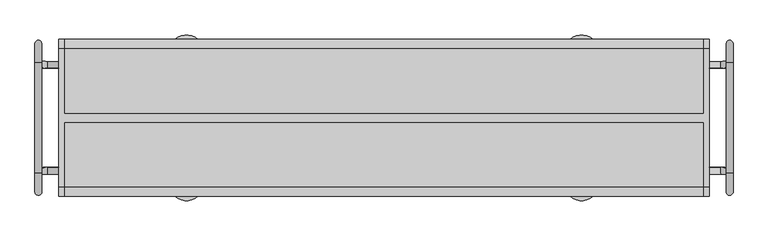
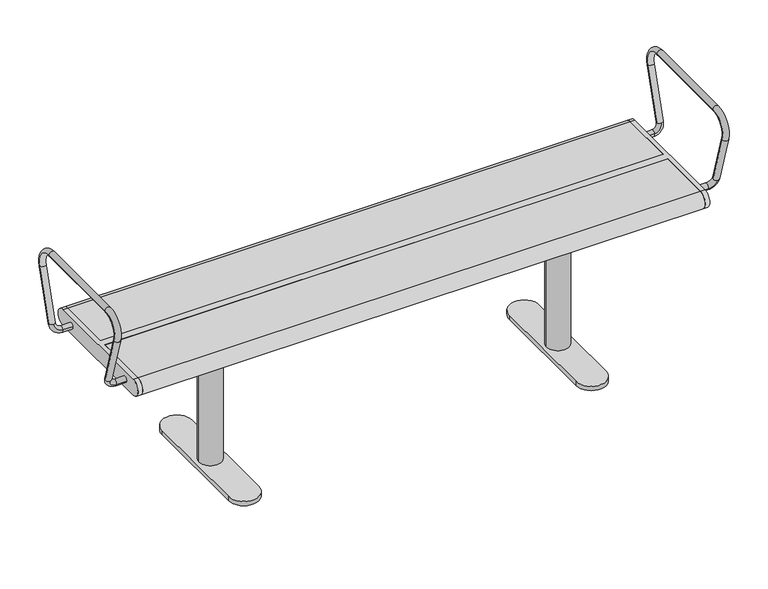
"""IFC4 building model written with IfcOpenShell, lengths in millimetres: furniture geometry."""

from ifc_helpers import new_model, si_unit, point, frame, frame_2d, origin, origin_with_axes, place, context, project, spatial, polyline, circle_curve, ellipse_curve, trimmed, segment, composite_curve, outline, extrude, source, transform, mapped, element, save
from ifc_brep_helpers import plane_surface, cylinder_surface, revolved_surface, advanced_brep


def furniture_5801610f(model_context):
    return source(origin(), model_context, "Body", "SolidModel", [
        extrude(outline(composite_curve([segment(trimmed(circle_curve(frame_2d((460.0, 153.0)), 17.0), [point((443.0, 153.0))], [point((477.0, 153.0))], False, "CARTESIAN"), True, "CONTINUOUS"), segment(trimmed(circle_curve(frame_2d((460.0, 153.0)), 17.0), [point((477.0, 153.0))], [point((443.0, 153.0))], False, "CARTESIAN"), True, "CONTINUOUS")], self_intersect=False)), origin_with_axes(), (0.0, 0.0, 1.0), 15.0),
        extrude(outline(composite_curve([segment(trimmed(circle_curve(frame_2d((460.0, -153.0)), 17.0), [point((443.0, -153.0))], [point((477.0, -153.0))], False, "CARTESIAN"), True, "CONTINUOUS"), segment(trimmed(circle_curve(frame_2d((460.0, -153.0)), 17.0), [point((477.0, -153.0))], [point((443.0, -153.0))], False, "CARTESIAN"), True, "CONTINUOUS")], self_intersect=False)), origin_with_axes(), (0.0, 0.0, 1.0), 15.0),
        extrude(outline(composite_curve([segment(trimmed(circle_curve(frame_2d((460.0, 0.0)), 30.0), [point((430.0, 0.0))], [point((490.0, 0.0))], False, "CARTESIAN"), True, "CONTINUOUS"), segment(trimmed(circle_curve(frame_2d((460.0, 0.0)), 30.0), [point((490.0, 0.0))], [point((430.0, 0.0))], False, "CARTESIAN"), True, "CONTINUOUS")], self_intersect=False)), frame((0.0, 0.0, 27.0), z_axis=(0.0, 0.0, 1.0), x_axis=(1.0, 0.0, 0.0)), (0.0, 0.0, 1.0), 362.0),
        extrude(outline(polyline([(385.0, -125.0), (385.0, 125.0), (535.0, 125.0), (535.0, -125.0), (385.0, -125.0)])), frame((0.0, 0.0, 389.0), z_axis=(0.0, 0.0, 1.0), x_axis=(1.0, 0.0, 0.0)), (0.0, 0.0, 1.0), 16.0),
        extrude(outline(composite_curve([segment(polyline([(420.0, -153.2025537), (420.0, 153.0)]), True, "CONTINUOUS"), segment(trimmed(circle_curve(frame_2d((460.0, 153.0)), 40.0), [point((420.0, 153.0))], [point((500.0, 153.0))], False, "CARTESIAN"), True, "CONTINUOUS"), segment(polyline([(500.0, 153.0), (500.0, -153.2025537)]), True, "CONTINUOUS"), segment(trimmed(circle_curve(frame_2d((460.0, -153.2025537)), 40.0), [point((500.0, -153.2025537))], [point((420.0, -153.2025537))], False, "CARTESIAN"), True, "CONTINUOUS")], self_intersect=False)), frame((0.0, 0.0, 15.0), z_axis=(0.0, 0.0, 1.0), x_axis=(1.0, 0.0, 0.0)), (0.0, 0.0, 1.0), 12.0),
        extrude(outline(composite_curve([segment(trimmed(circle_curve(frame_2d((-460.0, 153.0)), 17.0), [point((-477.0, 153.0))], [point((-443.0, 153.0))], False, "CARTESIAN"), True, "CONTINUOUS"), segment(trimmed(circle_curve(frame_2d((-460.0, 153.0)), 17.0), [point((-443.0, 153.0))], [point((-477.0, 153.0))], False, "CARTESIAN"), True, "CONTINUOUS")], self_intersect=False)), origin_with_axes(), (0.0, 0.0, 1.0), 15.0),
        extrude(outline(composite_curve([segment(trimmed(circle_curve(frame_2d((-460.0, -153.0)), 17.0), [point((-477.0, -153.0))], [point((-443.0, -153.0))], False, "CARTESIAN"), True, "CONTINUOUS"), segment(trimmed(circle_curve(frame_2d((-460.0, -153.0)), 17.0), [point((-443.0, -153.0))], [point((-477.0, -153.0))], False, "CARTESIAN"), True, "CONTINUOUS")], self_intersect=False)), origin_with_axes(), (0.0, 0.0, 1.0), 15.0),
        extrude(outline(composite_curve([segment(trimmed(circle_curve(frame_2d((-460.0, 0.0)), 30.0), [point((-490.0, 0.0))], [point((-430.0, 0.0))], False, "CARTESIAN"), True, "CONTINUOUS"), segment(trimmed(circle_curve(frame_2d((-460.0, 0.0)), 30.0), [point((-430.0, 0.0))], [point((-490.0, 0.0))], False, "CARTESIAN"), True, "CONTINUOUS")], self_intersect=False)), frame((0.0, 0.0, 27.0), z_axis=(0.0, 0.0, 1.0), x_axis=(1.0, 0.0, 0.0)), (0.0, 0.0, 1.0), 362.0),
        extrude(outline(polyline([(-535.0, -125.0), (-535.0, 125.0), (-385.0, 125.0), (-385.0, -125.0), (-535.0, -125.0)])), frame((0.0, 0.0, 389.0), z_axis=(0.0, 0.0, 1.0), x_axis=(1.0, 0.0, 0.0)), (0.0, 0.0, 1.0), 16.0),
        extrude(outline(composite_curve([segment(polyline([(-500.0, -153.2025537), (-500.0, 153.0)]), True, "CONTINUOUS"), segment(trimmed(circle_curve(frame_2d((-460.0, 153.0)), 40.0), [point((-500.0, 153.0))], [point((-420.0, 153.0))], False, "CARTESIAN"), True, "CONTINUOUS"), segment(polyline([(-420.0, 153.0), (-420.0, -153.2025537)]), True, "CONTINUOUS"), segment(trimmed(circle_curve(frame_2d((-460.0, -153.2025537)), 40.0), [point((-420.0, -153.2025537))], [point((-500.0, -153.2025537))], False, "CARTESIAN"), True, "CONTINUOUS")], self_intersect=False)), frame((0.0, 0.0, 15.0), z_axis=(0.0, 0.0, 1.0), x_axis=(1.0, 0.0, 0.0)), (0.0, 0.0, 1.0), 12.0),
        advanced_brep(
        [(797.0, 129.1398058, 447.5823999), (797.0, 170.6460701, 583.3432733), (813.0, 170.6460701, 583.3432733), (813.0, 129.1398058, 447.5823999), (805.0, 136.7902438, 445.2434262), (805.0, 121.4893678, 449.9213735), (813.0, 127.6123561, 641.5), (797.0, 127.6123561, 641.5), (797.0, -127.6123561, 641.5), (813.0, -127.6123561, 641.5), (797.0, -170.6460701, 583.3432733), (813.0, -170.6460701, 583.3432733), (797.0, -129.1398058, 447.5823999), (805.0, -136.7902438, 445.2434262), (813.0, -129.1398058, 447.5823999), (805.0, -121.4893678, 449.9213735), (784.0, -115.349562, 429.8389736), (784.0, -130.650438, 425.1610264), (757.0, -130.650438, 425.1610264), (757.0, -115.349562, 429.8389736), (784.0, 130.650438, 425.1610264), (784.0, 115.349562, 429.8389736), (757.0, 130.650438, 425.1610264), (757.0, 115.349562, 429.8389736)],
        [
            (0, 1),
            (1, 2, circle_curve(frame((805.0, 170.6460701, 583.3432733), z_axis=(0.0, -0.2923717047227381, -0.9563047559630351), x_axis=(-1.0, 0.0, 0.0)), 8.0)),
            (2, 3),
            (3, 4, circle_curve(frame((805.0, 129.1398058, 447.5823999), z_axis=(0.0, 0.2923717047227381, 0.9563047559630351), x_axis=(-1.0, 0.0, 0.0)), 8.0)),
            (4, 0, circle_curve(frame((805.0, 129.1398058, 447.5823999), z_axis=(0.0, 0.2923717047227381, 0.9563047559630351), x_axis=(-1.0, 0.0, 0.0)), 8.0)),
            (0, 5, circle_curve(frame((805.0, 129.1398058, 447.5823999), z_axis=(0.0, 0.2923717047227381, 0.9563047559630351), x_axis=(-1.0, 0.0, 0.0)), 8.0)),
            (5, 3, circle_curve(frame((805.0, 129.1398058, 447.5823999), z_axis=(0.0, 0.2923717047227381, 0.9563047559630351), x_axis=(-1.0, 0.0, 0.0)), 8.0)),
            (2, 1, circle_curve(frame((805.0, 170.6460701, 583.3432733), z_axis=(0.0, -0.2923717047227381, -0.9563047559630351), x_axis=(-1.0, 0.0, 0.0)), 8.0)),
            (6, 7, circle_curve(frame((805.0, 127.6123561, 641.5), z_axis=(0.0, -1.0, 0.0), x_axis=(-1.0, 0.0, 0.0)), 8.0)),
            (7, 8),
            (8, 9, circle_curve(frame((805.0, -127.6123561, 641.5), z_axis=(0.0, 1.0, 0.0), x_axis=(-1.0, 0.0, 0.0)), 8.0)),
            (9, 6),
            (7, 6, circle_curve(frame((805.0, 127.6123561, 641.5), z_axis=(0.0, -1.0, 0.0), x_axis=(-1.0, 0.0, 0.0)), 8.0)),
            (9, 8, circle_curve(frame((805.0, -127.6123561, 641.5), z_axis=(0.0, 1.0, 0.0), x_axis=(-1.0, 0.0, 0.0)), 8.0)),
            (1, 7, circle_curve(frame((797.0, 127.6123561, 596.5), z_axis=(1.0, 0.0, 0.0), x_axis=(0.0, 0.9563047559630351, -0.2923717047227379)), 45.0)),
            (6, 2, circle_curve(frame((813.0, 127.6123561, 596.5), z_axis=(-1.0, 0.0, 0.0), x_axis=(0.0, 0.9563047559630351, -0.2923717047227379)), 45.0)),
            (8, 10, circle_curve(frame((797.0, -127.6123561, 596.5), z_axis=(1.0, 0.0, 0.0), x_axis=(0.0, 0.0, 1.0)), 45.0)),
            (10, 11, circle_curve(frame((805.0, -170.6460701, 583.3432733), z_axis=(0.0, -0.29237170472274115, 0.9563047559630341), x_axis=(-1.0, 0.0, 0.0)), 8.0)),
            (11, 9, circle_curve(frame((813.0, -127.6123561, 596.5), z_axis=(-1.0, 0.0, 0.0), x_axis=(0.0, 0.0, 1.0)), 45.0)),
            (11, 10, circle_curve(frame((805.0, -170.6460701, 583.3432733), z_axis=(0.0, -0.29237170472274093, 0.9563047559630342), x_axis=(-1.0, 0.0, 0.0)), 8.0)),
            (10, 12),
            (12, 13, circle_curve(frame((805.0, -129.1398058, 447.5823999), z_axis=(0.0, -0.29237170472273494, 0.9563047559630361), x_axis=(-1.0, 0.0, 0.0)), 8.0)),
            (13, 14, circle_curve(frame((805.0, -129.1398058, 447.5823999), z_axis=(0.0, -0.29237170472273494, 0.9563047559630361), x_axis=(-1.0, 0.0, 0.0)), 8.0)),
            (14, 11),
            (14, 15, circle_curve(frame((805.0, -129.1398058, 447.5823999), z_axis=(0.0, -0.29237170472273494, 0.9563047559630361), x_axis=(-1.0, 0.0, 0.0)), 8.0)),
            (15, 12, circle_curve(frame((805.0, -129.1398058, 447.5823999), z_axis=(0.0, -0.29237170472273494, 0.9563047559630361), x_axis=(-1.0, 0.0, 0.0)), 8.0)),
            (16, 15, circle_curve(frame((784.0, -121.4893678, 449.9213735), z_axis=(0.0, -0.9563047559630359, -0.29237170472273544), x_axis=(1.0, 0.0, 0.0)), 21.0)),
            (13, 17, circle_curve(frame((784.0, -136.7902438, 445.2434262), z_axis=(0.0, 0.9563047559630359, 0.29237170472273544), x_axis=(1.0, 0.0, 0.0)), 21.0)),
            (17, 16, circle_curve(frame((784.0, -123.0, 427.5), z_axis=(1.0, 0.0, 0.0), x_axis=(0.0, 0.9563047559630359, 0.29237170472273544)), 8.0)),
            (16, 17, circle_curve(frame((784.0, -123.0, 427.5), z_axis=(1.0, 0.0, 0.0), x_axis=(0.0, 0.9563047559630359, 0.29237170472273544)), 8.0)),
            (18, 19, circle_curve(frame((757.0, -123.0, 427.5), z_axis=(-1.0, 0.0, 0.0), x_axis=(0.0, 0.956304755963036, 0.2923717047227355)), 8.0)),
            (19, 18, circle_curve(frame((757.0, -123.0, 427.5), z_axis=(-1.0, 0.0, 0.0), x_axis=(0.0, 0.956304755963036, 0.2923717047227355)), 8.0)),
            (17, 18),
            (19, 16),
            (20, 4, circle_curve(frame((784.0, 136.7902438, 445.2434262), z_axis=(0.0, -0.9563047559630359, 0.29237170472273544), x_axis=(1.0, 0.0, 0.0)), 21.0)),
            (5, 21, circle_curve(frame((784.0, 121.4893678, 449.9213735), z_axis=(0.0, 0.9563047559630359, -0.29237170472273544), x_axis=(1.0, 0.0, 0.0)), 21.0)),
            (21, 20, circle_curve(frame((784.0, 123.0, 427.5), z_axis=(1.0, 0.0, 0.0), x_axis=(0.0, -0.9563047559630359, 0.29237170472273544)), 8.0)),
            (20, 21, circle_curve(frame((784.0, 123.0, 427.5), z_axis=(1.0, 0.0, 0.0), x_axis=(0.0, -0.9563047559630359, 0.29237170472273544)), 8.0)),
            (22, 23, circle_curve(frame((757.0, 123.0, 427.5), z_axis=(-1.0, 0.0, 0.0), x_axis=(0.0, -0.956304755963036, 0.2923717047227355)), 8.0)),
            (23, 22, circle_curve(frame((757.0, 123.0, 427.5), z_axis=(-1.0, 0.0, 0.0), x_axis=(0.0, -0.956304755963036, 0.2923717047227355)), 8.0)),
            (21, 23),
            (22, 20),
        ],
        [
            cylinder_surface(frame((805.0, 129.1398058, 447.5823999), z_axis=(0.0, -0.2923717047227381, -0.9563047559630351), x_axis=(-1.0, 0.0, 0.0)), 8.0),
            cylinder_surface(frame((805.0, 127.6123561, 641.5), z_axis=(0.0, 1.0, 0.0), x_axis=(-1.0, 0.0, 0.0)), 8.0),
            revolved_surface(trimmed(ellipse_curve(frame((805.0, 170.6460701, 583.3432733), z_axis=(0.0, -0.2923717047227378, -0.9563047559630351), x_axis=(-1.0, 0.0, 0.0)), 8.0, 8.0), [point((797.0, 170.6460701, 583.3432733))], [point((813.0, 170.6460701, 583.3432733))], True, "CARTESIAN"), (0.0, 127.6123561, 596.5), (1.0, 0.0, 0.0)),
            revolved_surface(trimmed(ellipse_curve(frame((805.0, 170.6460701, 583.3432733), z_axis=(0.0, -0.2923717047227378, -0.9563047559630351), x_axis=(-1.0, 0.0, 0.0)), 8.0, 8.0), [point((813.0, 170.6460701, 583.3432733))], [point((797.0, 170.6460701, 583.3432733))], True, "CARTESIAN"), (0.0, 127.6123561, 596.5), (1.0, 0.0, 0.0)),
            revolved_surface(trimmed(ellipse_curve(frame((805.0, -127.6123561, 641.5), z_axis=(0.0, 1.0, 0.0), x_axis=(-1.0, 0.0, 0.0)), 8.0, 8.0), [point((797.0, -127.6123561, 641.5))], [point((813.0, -127.6123561, 641.5))], True, "CARTESIAN"), (0.0, -127.6123561, 596.5), (1.0, 0.0, 0.0)),
            revolved_surface(trimmed(ellipse_curve(frame((805.0, -127.6123561, 641.5), z_axis=(0.0, 1.0, 0.0), x_axis=(-1.0, 0.0, 0.0)), 8.0, 8.0), [point((813.0, -127.6123561, 641.5))], [point((797.0, -127.6123561, 641.5))], True, "CARTESIAN"), (0.0, -127.6123561, 596.5), (1.0, 0.0, 0.0)),
            cylinder_surface(frame((805.0, -170.6460701, 583.3432733), z_axis=(0.0, -0.29237170472273494, 0.9563047559630361), x_axis=(-1.0, 0.0, 0.0)), 8.0),
            revolved_surface(trimmed(ellipse_curve(frame((805.0, -129.1398058, 447.5823999), z_axis=(0.0, -0.29237170472273544, 0.9563047559630359), x_axis=(0.0, 0.9563047559630359, 0.29237170472273544)), 8.0, 8.0), [point((805.0, -136.7902438, 445.2434262))], [point((805.0, -121.4893678, 449.9213735))], True, "CARTESIAN"), (784.0, -11.5143208, 483.5441196), (0.0, 0.9563047559630359, 0.29237170472273544)),
            revolved_surface(trimmed(ellipse_curve(frame((805.0, -129.1398058, 447.5823999), z_axis=(0.0, -0.29237170472273544, 0.9563047559630359), x_axis=(0.0, 0.9563047559630359, 0.29237170472273544)), 8.0, 8.0), [point((805.0, -121.4893678, 449.9213735))], [point((805.0, -136.7902438, 445.2434262))], True, "CARTESIAN"), (784.0, -11.5143208, 483.5441196), (0.0, 0.9563047559630359, 0.29237170472273544)),
            plane_surface(frame((757.0, -5.374515, 463.4617197), z_axis=(-1.0, 0.0, 0.0), x_axis=(0.0, 0.9563047559630359, 0.29237170472273544))),
            cylinder_surface(frame((784.0, -123.0, 427.5), z_axis=(1.0, 0.0, 0.0), x_axis=(0.0, 0.956304755963036, 0.2923717047227355)), 8.0),
            revolved_surface(trimmed(ellipse_curve(frame((805.0, 129.1398058, 447.5823999), z_axis=(0.0, 0.29237170472273544, 0.9563047559630359), x_axis=(0.0, -0.9563047559630359, 0.29237170472273544)), 8.0, 8.0), [point((805.0, 121.4893678, 449.9213735))], [point((805.0, 136.7902438, 445.2434262))], True, "CARTESIAN"), (784.0, 11.5143208, 483.5441196), (0.0, 0.9563047559630359, -0.29237170472273544)),
            revolved_surface(trimmed(ellipse_curve(frame((805.0, 129.1398058, 447.5823999), z_axis=(0.0, 0.29237170472273544, 0.9563047559630359), x_axis=(0.0, -0.9563047559630359, 0.29237170472273544)), 8.0, 8.0), [point((805.0, 136.7902438, 445.2434262))], [point((805.0, 121.4893678, 449.9213735))], True, "CARTESIAN"), (784.0, 11.5143208, 483.5441196), (0.0, 0.9563047559630359, -0.29237170472273544)),
            plane_surface(frame((757.0, 5.374515, 463.4617197), z_axis=(-1.0, 0.0, 0.0), x_axis=(0.0, -0.9563047559630359, 0.29237170472273544))),
            cylinder_surface(frame((784.0, 123.0, 427.5), z_axis=(1.0, 0.0, 0.0), x_axis=(0.0, -0.956304755963036, 0.2923717047227355)), 8.0),
        ],
        [
            (0, [[1, 2, 3, 4, 5]]),
            (0, [[-1, 6, 7, -3, 8]]),
            (1, [[9, 10, 11, 12]]),
            (1, [[-10, 13, -12, 14]]),
            (2, [[-2, 15, -9, 16]]),
            (3, [[-8, -16, -13, -15]]),
            (4, [[-11, 17, 18, 19]]),
            (5, [[-14, -19, 20, -17]]),
            (6, [[-18, 21, 22, 23, 24]]),
            (6, [[-20, -24, 25, 26, -21]]),
            (7, [[27, -25, -23, 28, 29]]),
            (8, [[-27, 30, -28, -22, -26]]),
            (9, [[31, 32]]),
            (10, [[-29, 33, -32, 34]]),
            (10, [[-30, -34, -31, -33]]),
            (11, [[35, -4, -7, 36, 37]]),
            (12, [[-35, 38, -36, -6, -5]]),
            (13, [[39, 40]]),
            (14, [[-37, 41, -39, 42]]),
            (14, [[-38, -42, -40, -41]]),
        ],
    ),
        advanced_brep(
        [(-784.0, -130.650438, 425.1610264), (-805.0, -136.7902438, 445.2434262), (-813.0, -129.1398058, 447.5823999), (-805.0, -121.4893678, 449.9213735), (-784.0, -115.349562, 429.8389736), (-797.0, -129.1398058, 447.5823999), (-757.0, -130.650438, 425.1610264), (-757.0, -115.349562, 429.8389736), (-813.0, 129.1398058, 447.5823999), (-813.0, 170.6460701, 583.3432733), (-797.0, 170.6460701, 583.3432733), (-797.0, 129.1398058, 447.5823999), (-805.0, 136.7902438, 445.2434262), (-805.0, 121.4893678, 449.9213735), (-797.0, 127.6123561, 641.5), (-813.0, 127.6123561, 641.5), (-813.0, -127.6123561, 641.5), (-797.0, -127.6123561, 641.5), (-813.0, -170.6460701, 583.3432733), (-797.0, -170.6460701, 583.3432733), (-784.0, 115.349562, 429.8389736), (-784.0, 130.650438, 425.1610264), (-757.0, 130.650438, 425.1610264), (-757.0, 115.349562, 429.8389736)],
        [
            (0, 1, circle_curve(frame((-784.0, -136.7902438, 445.2434262), z_axis=(0.0, 0.9563047559630359, 0.29237170472273544), x_axis=(-1.0, 0.0, 0.0)), 21.0)),
            (1, 2, circle_curve(frame((-805.0, -129.1398058, 447.5823999), z_axis=(0.0, 0.29237170472273544, -0.9563047559630359), x_axis=(0.0, 0.9563047559630359, 0.29237170472273544)), 8.0)),
            (2, 3, circle_curve(frame((-805.0, -129.1398058, 447.5823999), z_axis=(0.0, 0.29237170472273544, -0.9563047559630359), x_axis=(0.0, 0.9563047559630359, 0.29237170472273544)), 8.0)),
            (3, 4, circle_curve(frame((-784.0, -121.4893678, 449.9213735), z_axis=(0.0, -0.9563047559630359, -0.29237170472273544), x_axis=(-1.0, 0.0, 0.0)), 21.0)),
            (4, 0, circle_curve(frame((-784.0, -123.0, 427.5), z_axis=(-1.0, 0.0, 0.0), x_axis=(0.0, 0.9563047559630359, 0.29237170472273544)), 8.0)),
            (0, 4, circle_curve(frame((-784.0, -123.0, 427.5), z_axis=(-1.0, 0.0, 0.0), x_axis=(0.0, 0.9563047559630359, 0.29237170472273544)), 8.0)),
            (3, 5, circle_curve(frame((-805.0, -129.1398058, 447.5823999), z_axis=(0.0, 0.29237170472273544, -0.9563047559630359), x_axis=(0.0, 0.9563047559630359, 0.29237170472273544)), 8.0)),
            (5, 1, circle_curve(frame((-805.0, -129.1398058, 447.5823999), z_axis=(0.0, 0.29237170472273544, -0.9563047559630359), x_axis=(0.0, 0.9563047559630359, 0.29237170472273544)), 8.0)),
            (6, 7, circle_curve(frame((-757.0, -123.0, 427.5), z_axis=(1.0, 0.0, 0.0), x_axis=(0.0, 0.956304755963036, 0.2923717047227355)), 8.0)),
            (7, 6, circle_curve(frame((-757.0, -123.0, 427.5), z_axis=(1.0, 0.0, 0.0), x_axis=(0.0, 0.956304755963036, 0.2923717047227355)), 8.0)),
            (4, 7),
            (6, 0),
            (8, 9),
            (9, 10, circle_curve(frame((-805.0, 170.6460701, 583.3432733), z_axis=(0.0, -0.2923717047227381, -0.9563047559630351), x_axis=(1.0, 0.0, 0.0)), 8.0)),
            (10, 11),
            (11, 12, circle_curve(frame((-805.0, 129.1398058, 447.5823999), z_axis=(0.0, 0.2923717047227381, 0.9563047559630351), x_axis=(1.0, 0.0, 0.0)), 8.0)),
            (12, 8, circle_curve(frame((-805.0, 129.1398058, 447.5823999), z_axis=(0.0, 0.2923717047227381, 0.9563047559630351), x_axis=(1.0, 0.0, 0.0)), 8.0)),
            (8, 13, circle_curve(frame((-805.0, 129.1398058, 447.5823999), z_axis=(0.0, 0.2923717047227381, 0.9563047559630351), x_axis=(1.0, 0.0, 0.0)), 8.0)),
            (13, 11, circle_curve(frame((-805.0, 129.1398058, 447.5823999), z_axis=(0.0, 0.2923717047227381, 0.9563047559630351), x_axis=(1.0, 0.0, 0.0)), 8.0)),
            (10, 9, circle_curve(frame((-805.0, 170.6460701, 583.3432733), z_axis=(0.0, -0.2923717047227381, -0.9563047559630351), x_axis=(1.0, 0.0, 0.0)), 8.0)),
            (14, 15, circle_curve(frame((-805.0, 127.6123561, 641.5), z_axis=(0.0, -1.0, 0.0), x_axis=(1.0, 0.0, 0.0)), 8.0)),
            (15, 16),
            (16, 17, circle_curve(frame((-805.0, -127.6123561, 641.5), z_axis=(0.0, 1.0, 0.0), x_axis=(1.0, 0.0, 0.0)), 8.0)),
            (17, 14),
            (15, 14, circle_curve(frame((-805.0, 127.6123561, 641.5), z_axis=(0.0, -1.0, 0.0), x_axis=(1.0, 0.0, 0.0)), 8.0)),
            (17, 16, circle_curve(frame((-805.0, -127.6123561, 641.5), z_axis=(0.0, 1.0, 0.0), x_axis=(1.0, 0.0, 0.0)), 8.0)),
            (9, 15, circle_curve(frame((-813.0, 127.6123561, 596.5), z_axis=(1.0, 0.0, 0.0), x_axis=(0.0, 0.9563047559630351, -0.2923717047227379)), 45.0)),
            (14, 10, circle_curve(frame((-797.0, 127.6123561, 596.5), z_axis=(-1.0, 0.0, 0.0), x_axis=(0.0, 0.9563047559630351, -0.2923717047227379)), 45.0)),
            (16, 18, circle_curve(frame((-813.0, -127.6123561, 596.5), z_axis=(1.0, 0.0, 0.0), x_axis=(0.0, 0.0, 1.0)), 45.0)),
            (18, 19, circle_curve(frame((-805.0, -170.6460701, 583.3432733), z_axis=(0.0, -0.2923717047227414, 0.9563047559630341), x_axis=(1.0, 0.0, 0.0)), 8.0)),
            (19, 17, circle_curve(frame((-797.0, -127.6123561, 596.5), z_axis=(-1.0, 0.0, 0.0), x_axis=(0.0, 0.0, 1.0)), 45.0)),
            (19, 18, circle_curve(frame((-805.0, -170.6460701, 583.3432733), z_axis=(0.0, -0.2923717047227414, 0.9563047559630341), x_axis=(1.0, 0.0, 0.0)), 8.0)),
            (18, 2),
            (5, 19),
            (20, 13, circle_curve(frame((-784.0, 121.4893678, 449.9213735), z_axis=(0.0, 0.9563047559630359, -0.29237170472273544), x_axis=(-1.0, 0.0, 0.0)), 21.0)),
            (12, 21, circle_curve(frame((-784.0, 136.7902438, 445.2434262), z_axis=(0.0, -0.9563047559630359, 0.29237170472273544), x_axis=(-1.0, 0.0, 0.0)), 21.0)),
            (21, 20, circle_curve(frame((-784.0, 123.0, 427.5), z_axis=(-1.0, 0.0, 0.0), x_axis=(0.0, -0.9563047559630359, 0.29237170472273544)), 8.0)),
            (20, 21, circle_curve(frame((-784.0, 123.0, 427.5), z_axis=(-1.0, 0.0, 0.0), x_axis=(0.0, -0.9563047559630359, 0.29237170472273544)), 8.0)),
            (22, 23, circle_curve(frame((-757.0, 123.0, 427.5), z_axis=(1.0, 0.0, 0.0), x_axis=(0.0, -0.956304755963036, 0.2923717047227355)), 8.0)),
            (23, 22, circle_curve(frame((-757.0, 123.0, 427.5), z_axis=(1.0, 0.0, 0.0), x_axis=(0.0, -0.956304755963036, 0.2923717047227355)), 8.0)),
            (21, 22),
            (23, 20),
        ],
        [
            revolved_surface(trimmed(ellipse_curve(frame((-805.0, -129.1398058, 447.5823999), z_axis=(0.0, -0.29237170472273544, 0.9563047559630359), x_axis=(0.0, 0.9563047559630359, 0.29237170472273544)), 8.0, 8.0), [point((-805.0, -121.4893678, 449.9213735))], [point((-805.0, -136.7902438, 445.2434262))], True, "CARTESIAN"), (-784.0, -11.5143208, 483.5441196), (0.0, -0.9563047559630359, -0.29237170472273544)),
            revolved_surface(trimmed(ellipse_curve(frame((-805.0, -129.1398058, 447.5823999), z_axis=(0.0, -0.29237170472273544, 0.9563047559630359), x_axis=(0.0, 0.9563047559630359, 0.29237170472273544)), 8.0, 8.0), [point((-805.0, -136.7902438, 445.2434262))], [point((-805.0, -121.4893678, 449.9213735))], True, "CARTESIAN"), (-784.0, -11.5143208, 483.5441196), (0.0, -0.9563047559630359, -0.29237170472273544)),
            plane_surface(frame((-757.0, -5.374515, 463.4617197), z_axis=(1.0, 0.0, 0.0), x_axis=(0.0, 0.9563047559630359, 0.29237170472273544))),
            cylinder_surface(frame((-784.0, -123.0, 427.5), z_axis=(-1.0, 0.0, 0.0), x_axis=(0.0, 0.956304755963036, 0.2923717047227355)), 8.0),
            cylinder_surface(frame((-805.0, 129.1398058, 447.5823999), z_axis=(0.0, -0.2923717047227381, -0.9563047559630351), x_axis=(1.0, 0.0, 0.0)), 8.0),
            cylinder_surface(frame((-805.0, 127.6123561, 641.5), z_axis=(0.0, 1.0, 0.0), x_axis=(1.0, 0.0, 0.0)), 8.0),
            revolved_surface(trimmed(ellipse_curve(frame((-805.0, 170.6460701, 583.3432733), z_axis=(0.0, -0.2923717047227378, -0.9563047559630351), x_axis=(1.0, 0.0, 0.0)), 8.0, 8.0), [point((-813.0, 170.6460701, 583.3432733))], [point((-797.0, 170.6460701, 583.3432733))], True, "CARTESIAN"), (0.0, 127.6123561, 596.5), (1.0, 0.0, 0.0)),
            revolved_surface(trimmed(ellipse_curve(frame((-805.0, 170.6460701, 583.3432733), z_axis=(0.0, -0.2923717047227378, -0.9563047559630351), x_axis=(1.0, 0.0, 0.0)), 8.0, 8.0), [point((-797.0, 170.6460701, 583.3432733))], [point((-813.0, 170.6460701, 583.3432733))], True, "CARTESIAN"), (0.0, 127.6123561, 596.5), (1.0, 0.0, 0.0)),
            revolved_surface(trimmed(ellipse_curve(frame((-805.0, -127.6123561, 641.5), z_axis=(0.0, 1.0, 0.0), x_axis=(1.0, 0.0, 0.0)), 8.0, 8.0), [point((-813.0, -127.6123561, 641.5))], [point((-797.0, -127.6123561, 641.5))], True, "CARTESIAN"), (0.0, -127.6123561, 596.5), (1.0, 0.0, 0.0)),
            revolved_surface(trimmed(ellipse_curve(frame((-805.0, -127.6123561, 641.5), z_axis=(0.0, 1.0, 0.0), x_axis=(1.0, 0.0, 0.0)), 8.0, 8.0), [point((-797.0, -127.6123561, 641.5))], [point((-813.0, -127.6123561, 641.5))], True, "CARTESIAN"), (0.0, -127.6123561, 596.5), (1.0, 0.0, 0.0)),
            cylinder_surface(frame((-805.0, -170.6460701, 583.3432733), z_axis=(0.0, -0.29237170472273494, 0.9563047559630361), x_axis=(1.0, 0.0, 0.0)), 8.0),
            revolved_surface(trimmed(ellipse_curve(frame((-805.0, 129.1398058, 447.5823999), z_axis=(0.0, 0.29237170472273544, 0.9563047559630359), x_axis=(0.0, -0.9563047559630359, 0.29237170472273544)), 8.0, 8.0), [point((-805.0, 136.7902438, 445.2434262))], [point((-805.0, 121.4893678, 449.9213735))], True, "CARTESIAN"), (-784.0, 11.5143208, 483.5441196), (0.0, -0.9563047559630359, 0.29237170472273544)),
            revolved_surface(trimmed(ellipse_curve(frame((-805.0, 129.1398058, 447.5823999), z_axis=(0.0, 0.29237170472273544, 0.9563047559630359), x_axis=(0.0, -0.9563047559630359, 0.29237170472273544)), 8.0, 8.0), [point((-805.0, 121.4893678, 449.9213735))], [point((-805.0, 136.7902438, 445.2434262))], True, "CARTESIAN"), (-784.0, 11.5143208, 483.5441196), (0.0, -0.9563047559630359, 0.29237170472273544)),
            plane_surface(frame((-757.0, 5.374515, 463.4617197), z_axis=(1.0, 0.0, 0.0), x_axis=(0.0, -0.9563047559630359, 0.29237170472273544))),
            cylinder_surface(frame((-784.0, 123.0, 427.5), z_axis=(-1.0, 0.0, 0.0), x_axis=(0.0, -0.956304755963036, 0.2923717047227355)), 8.0),
        ],
        [
            (0, [[1, 2, 3, 4, 5]]),
            (1, [[-1, 6, -4, 7, 8]]),
            (2, [[9, 10]]),
            (3, [[-5, 11, -9, 12]]),
            (3, [[-6, -12, -10, -11]]),
            (4, [[13, 14, 15, 16, 17]]),
            (4, [[-13, 18, 19, -15, 20]]),
            (5, [[21, 22, 23, 24]]),
            (5, [[-22, 25, -24, 26]]),
            (6, [[-14, 27, -21, 28]]),
            (7, [[-20, -28, -25, -27]]),
            (8, [[-23, 29, 30, 31]]),
            (9, [[-26, -31, 32, -29]]),
            (10, [[-30, 33, -2, -8, 34]]),
            (10, [[-32, -34, -7, -3, -33]]),
            (11, [[35, -18, -17, 36, 37]]),
            (12, [[-35, 38, -36, -16, -19]]),
            (13, [[39, 40]]),
            (14, [[-37, 41, -40, 42]]),
            (14, [[-38, -42, -39, -41]]),
        ],
    ),
        advanced_brep(
        [(757.0, -160.5, 405.0), (757.0, 160.5, 405.0), (757.0, 160.5, 450.0), (757.0, -160.5, 450.0), (745.0, -160.5, 405.0), (745.0, -160.5, 450.0), (745.0, -10.0, 450.0), (745.0, -10.0, 405.0), (745.0, 160.5, 450.0), (745.0, 160.5, 405.0), (745.0, 10.0, 405.0), (745.0, 10.0, 450.0), (-745.0, 10.0, 450.0), (-745.0, 160.5, 450.0), (-757.0, 160.5, 450.0), (-757.0, -160.5, 450.0), (-745.0, -160.5, 450.0), (-745.0, -10.0, 450.0), (-745.0, -10.0, 405.0), (-745.0, -160.5, 405.0), (-757.0, -160.5, 405.0), (-757.0, 160.5, 405.0), (-745.0, 160.5, 405.0), (-745.0, 10.0, 405.0)],
        [
            (0, 1),
            (1, 2, circle_curve(frame((757.0, 160.5, 427.5), z_axis=(1.0, 0.0, 0.0), x_axis=(0.0, 1.0, 0.0)), 22.5)),
            (2, 3),
            (3, 0, circle_curve(frame((757.0, -160.5, 427.5), z_axis=(1.0, 0.0, 0.0), x_axis=(0.0, -1.0, 0.0)), 22.5)),
            (4, 5, circle_curve(frame((745.0, -160.5, 427.5), z_axis=(-1.0, 0.0, 0.0), x_axis=(0.0, -1.0, 0.0)), 22.5)),
            (5, 6),
            (6, 7),
            (7, 4),
            (8, 9, circle_curve(frame((745.0, 160.5, 427.5), z_axis=(-1.0, 0.0, 0.0), x_axis=(0.0, 1.0, 0.0)), 22.5)),
            (9, 10),
            (10, 11),
            (11, 8),
            (2, 8),
            (11, 12),
            (12, 13),
            (13, 14),
            (14, 15),
            (15, 16),
            (16, 17),
            (17, 6),
            (5, 3),
            (0, 4),
            (7, 18),
            (18, 19),
            (19, 20),
            (20, 21),
            (21, 22),
            (22, 23),
            (23, 10),
            (9, 1),
            (17, 18),
            (23, 12),
            (22, 13, circle_curve(frame((-745.0, 160.5, 427.5), z_axis=(1.0, 0.0, 0.0), x_axis=(0.0, -1.0, 0.0)), 22.5)),
            (16, 19, circle_curve(frame((-745.0, -160.5, 427.5), z_axis=(1.0, 0.0, 0.0), x_axis=(0.0, -1.0, 0.0)), 22.5)),
            (20, 15, circle_curve(frame((-757.0, -160.5, 427.5), z_axis=(-1.0, 0.0, 0.0), x_axis=(0.0, -1.0, 0.0)), 22.5)),
            (14, 21, circle_curve(frame((-757.0, 160.5, 427.5), z_axis=(-1.0, 0.0, 0.0), x_axis=(0.0, -1.0, 0.0)), 22.5)),
        ],
        [
            plane_surface(frame((757.0, 160.5, 405.0), z_axis=(1.0, 0.0, 0.0), x_axis=(0.0, 1.0, 0.0))),
            plane_surface(frame((745.0, 160.5, 405.0), z_axis=(-1.0, 0.0, 0.0), x_axis=(0.0, -1.0, 0.0))),
            plane_surface(frame((757.0, 160.5, 450.0), z_axis=(0.0, 0.0, 1.0), x_axis=(-1.0, 0.0, 0.0))),
            plane_surface(frame((757.0, -160.5, 405.0), z_axis=(0.0, 0.0, -1.0), x_axis=(-1.0, 0.0, 0.0))),
            cylinder_surface(frame((745.0, -160.5, 427.5), z_axis=(1.0, 0.0, 0.0), x_axis=(0.0, -1.0, 0.0)), 22.5),
            cylinder_surface(frame((745.0, 160.5, 427.5), z_axis=(1.0, 0.0, 0.0), x_axis=(0.0, 1.0, 0.0)), 22.5),
            plane_surface(frame((745.0, -10.0, 450.0), z_axis=(0.0, -1.0, 0.0), x_axis=(-1.0, 0.0, 0.0))),
            plane_surface(frame((745.0, 10.0, 405.0), z_axis=(0.0, 1.0, 0.0), x_axis=(-1.0, 0.0, 0.0))),
            plane_surface(frame((-745.0, 160.5, 405.0), z_axis=(1.0, 0.0, 0.0), x_axis=(0.0, 1.0, 0.0))),
            plane_surface(frame((-757.0, 160.5, 405.0), z_axis=(-1.0, 0.0, 0.0), x_axis=(0.0, -1.0, 0.0))),
            cylinder_surface(frame((-757.0, -160.5, 427.5), z_axis=(1.0, 0.0, 0.0), x_axis=(0.0, -1.0, 0.0)), 22.5),
            cylinder_surface(frame((-757.0, 160.5, 427.5), z_axis=(1.0, 0.0, 0.0), x_axis=(0.0, -1.0, 0.0)), 22.5),
        ],
        [
            (0, [[1, 2, 3, 4]]),
            (1, [[5, 6, 7, 8]]),
            (1, [[9, 10, 11, 12]]),
            (2, [[-3, 13, -12, 14, 15, 16, 17, 18, 19, 20, -6, 21]]),
            (3, [[-1, 22, -8, 23, 24, 25, 26, 27, 28, 29, -10, 30]]),
            (4, [[-4, -21, -5, -22]]),
            (5, [[-2, -30, -9, -13]]),
            (6, [[-20, 31, -23, -7]]),
            (7, [[-14, -11, -29, 32]]),
            (8, [[33, -15, -32, -28]]),
            (8, [[34, -24, -31, -19]]),
            (9, [[35, -17, 36, -26]]),
            (10, [[-34, -18, -35, -25]]),
            (11, [[-33, -27, -36, -16]]),
        ],
    ),
        extrude(outline(composite_curve([segment(polyline([(10.0, 405.0), (10.0, 450.0), (160.5, 450.0)]), True, "CONTINUOUS"), segment(trimmed(circle_curve(frame_2d((160.5, 427.5)), 22.5), [point((160.5, 450.0))], [point((160.5, 405.0))], False, "CARTESIAN"), True, "CONTINUOUS"), segment(polyline([(160.5, 405.0), (10.0, 405.0)]), True, "CONTINUOUS")], self_intersect=False)), frame((-745.0, 0.0, 0.0), z_axis=(1.0, 0.0, 0.0), x_axis=(0.0, 1.0, 0.0)), (0.0, 0.0, 1.0), 1490.0),
        extrude(outline(composite_curve([segment(polyline([(-10.0, 405.0), (-160.5, 405.0)]), True, "CONTINUOUS"), segment(trimmed(circle_curve(frame_2d((-160.5, 427.5)), 22.5), [point((-160.5, 405.0))], [point((-160.5, 450.0))], False, "CARTESIAN"), True, "CONTINUOUS"), segment(polyline([(-160.5, 450.0), (-10.0, 450.0), (-10.0, 405.0)]), True, "CONTINUOUS")], self_intersect=False)), frame((-745.0, 0.0, 0.0), z_axis=(1.0, 0.0, 0.0), x_axis=(0.0, 1.0, 0.0)), (0.0, 0.0, 1.0), 1490.0),
    ])


if __name__ == "__main__":
    model = new_model("IFC4")
    model_context = context("Model", 3, world=origin())
    ifc_project = project(units=[si_unit("LENGTHUNIT", "METRE", prefix="MILLI")], contexts=[model_context])
    site = spatial("IfcSite", under=ifc_project)
    building = spatial("IfcBuilding", under=site)
    placement = place(None, origin())
    furniture_shape = furniture_5801610f(model_context)
    element("IfcFurniture", 1, at=placement, inside=building, context=model_context, shape_type="MappedRepresentation", body=[
        mapped(furniture_shape, transform((0.0, 0.0, 0.0), x_axis=(1.0, 0.0, 0.0), y_axis=(0.0, 1.0, 0.0), z_axis=(0.0, 0.0, 1.0))),
    ])
    save(model, "model.ifc")
